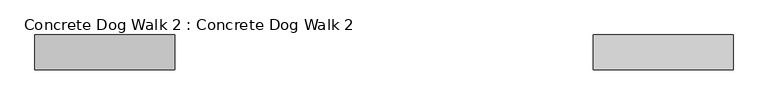
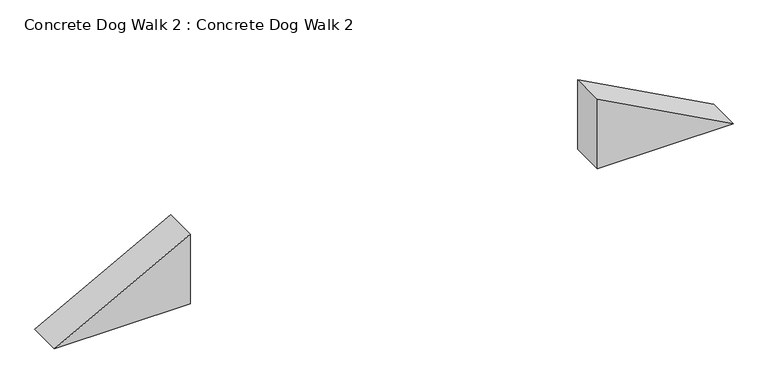
"""IFC4 building model written with IfcOpenShell, lengths in millimetres: proxy geometry, Concrete Dog Walk 2 : Concrete Dog Walk 2."""

from ifc_helpers import new_model, si_unit, frame, origin, place, context, project, spatial, polyline, outline, extrude, source, transform, mapped, element, save


def concrete_dog_walk_2_concrete_dog_walk_2_7c6d7f1f(model_context):
    return source(origin(), model_context, "Body", "SweptSolid", [
        extrude(outline(polyline([(660.4, 263094.5993742), (0.0, 263094.5993742), (0.0, 264313.7993742), (660.4, 263094.5993742)])), frame((0.0, 37633.9183603, 0.0), z_axis=(0.0, 1.0, 0.0), x_axis=(0.0, 0.0, 1.0)), (0.0, 0.0, 1.0), 304.8),
        extrude(outline(polyline([(0.0, 258217.7993742), (0.0, 259436.9993742), (660.4, 259436.9993742), (0.0, 258217.7993742)])), frame((0.0, 37633.9183603, 0.0), z_axis=(0.0, 1.0, 0.0), x_axis=(0.0, 0.0, 1.0)), (0.0, 0.0, 1.0), 304.8),
    ])


if __name__ == "__main__":
    model = new_model("IFC4")
    model_context = context("Model", 3, world=origin())
    ifc_project = project(units=[si_unit("LENGTHUNIT", "METRE", prefix="MILLI")], contexts=[model_context])
    site = spatial("IfcSite", under=ifc_project)
    building = spatial("IfcBuilding", under=site)
    placement = place(None, origin())
    concrete_dog_walk_2_concrete_dog_walk_2_shape = concrete_dog_walk_2_concrete_dog_walk_2_7c6d7f1f(model_context)
    element("IfcBuildingElementProxy", 1, Name="Concrete Dog Walk 2 : Concrete Dog Walk 2", ObjectType="Concrete Dog Walk 2 : Concrete Dog Walk 2", at=placement, inside=building, context=model_context, shape_type="MappedRepresentation", body=[
        mapped(concrete_dog_walk_2_concrete_dog_walk_2_shape, transform((0.0, 0.0, 0.0), x_axis=(1.0, 0.0, 0.0), y_axis=(0.0, 1.0, 0.0), z_axis=(0.0, 0.0, 1.0))),
    ])
    save(model, "model.ifc")
